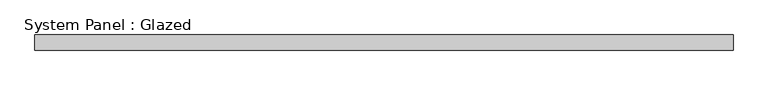
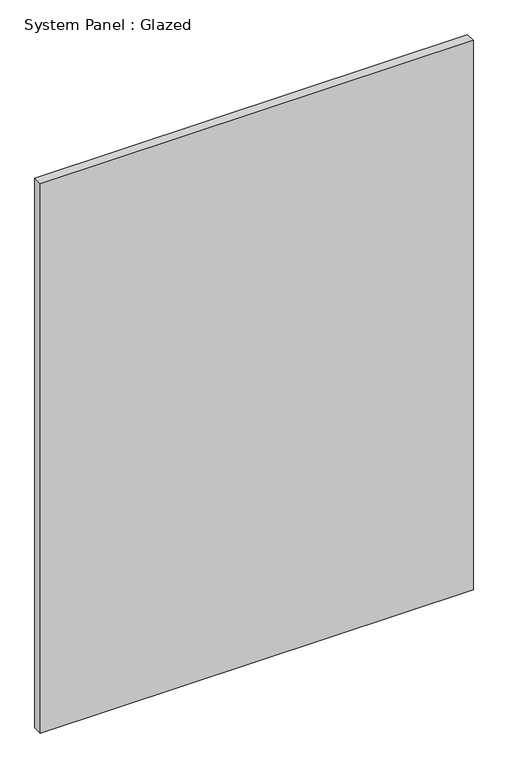
"""IFC4 building model written with IfcOpenShell, lengths in millimetres: plate geometry, System Panel : Glazed."""

from ifc_helpers import new_model, si_unit, origin, origin_with_axes, place, context, project, spatial, polyline, outline, extrude, source, transform, mapped, element, save


def system_panel_glazed_2919af9d(model_context):
    return source(origin(), model_context, "Body", "SweptSolid", [
        extrude(outline(polyline([(561.5954152, 24.5), (-561.5954152, 24.5), (-561.5954152, 49.5), (561.5954152, 49.5), (561.5954152, 24.5)])), origin_with_axes(), (0.0, 0.0, 1.0), 1506.050088),
    ])


if __name__ == "__main__":
    model = new_model("IFC4")
    model_context = context("Model", 3, world=origin())
    ifc_project = project(units=[si_unit("LENGTHUNIT", "METRE", prefix="MILLI")], contexts=[model_context])
    site = spatial("IfcSite", under=ifc_project)
    building = spatial("IfcBuilding", under=site)
    placement = place(None, origin())
    system_panel_glazed_shape = system_panel_glazed_2919af9d(model_context)
    element("IfcPlate", 1, ObjectType="System Panel : Glazed", at=placement, inside=building, context=model_context, shape_type="MappedRepresentation", body=[
        mapped(system_panel_glazed_shape, transform((0.0, 0.0, 0.0), x_axis=(1.0, 0.0, 0.0), y_axis=(0.0, 1.0, 0.0), z_axis=(0.0, 0.0, 1.0))),
    ])
    save(model, "model.ifc")
